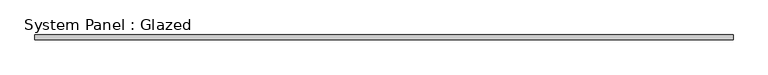
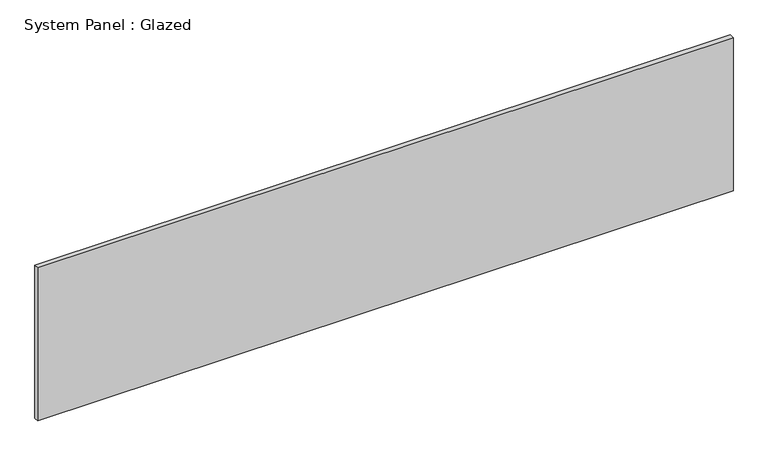
"""IFC4 building model written with IfcOpenShell, lengths in millimetres: plate geometry, System Panel : Glazed."""

from ifc_helpers import new_model, si_unit, origin, origin_with_axes, place, context, project, spatial, polyline, outline, extrude, source, transform, mapped, element, save


def system_panel_glazed_2fc7930e(model_context):
    return source(origin(), model_context, "Body", "SweptSolid", [
        extrude(outline(polyline([(1827.0892095, 24.5), (-1827.0892095, 24.5), (-1827.0892095, 49.5), (1827.0892095, 49.5), (1827.0892095, 24.5)])), origin_with_axes(), (0.0, 0.0, 1.0), 850.0),
    ])


if __name__ == "__main__":
    model = new_model("IFC4")
    model_context = context("Model", 3, world=origin())
    ifc_project = project(units=[si_unit("LENGTHUNIT", "METRE", prefix="MILLI")], contexts=[model_context])
    site = spatial("IfcSite", under=ifc_project)
    building = spatial("IfcBuilding", under=site)
    placement = place(None, origin())
    system_panel_glazed_shape = system_panel_glazed_2fc7930e(model_context)
    element("IfcPlate", 1, ObjectType="System Panel : Glazed", at=placement, inside=building, context=model_context, shape_type="MappedRepresentation", body=[
        mapped(system_panel_glazed_shape, transform((0.0, 0.0, 0.0), x_axis=(1.0, 0.0, 0.0), y_axis=(0.0, 1.0, 0.0), z_axis=(0.0, 0.0, 1.0))),
    ])
    save(model, "model.ifc")
